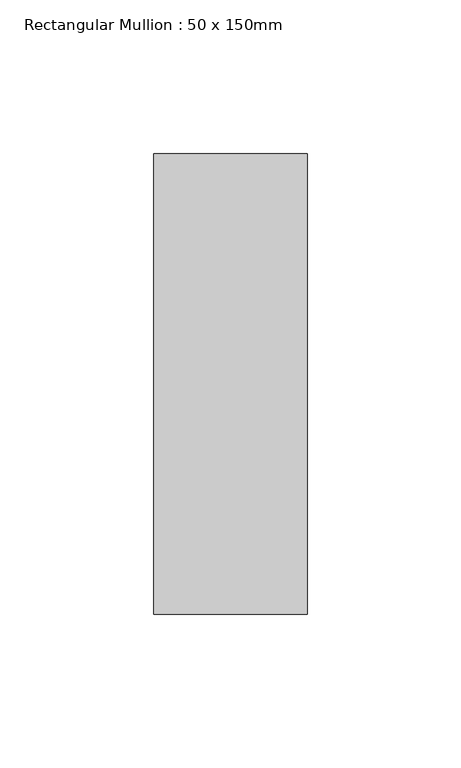
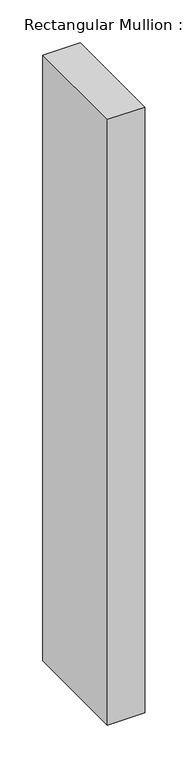
"""IFC4 building model written with IfcOpenShell, lengths in millimetres: member geometry, Rectangular Mullion : 50 x 150mm."""

import ifcopenshell
import ifcopenshell.guid

model = None  # the IFC model being written
_history = None  # IfcOwnerHistory: only IFC2X3 demands one
_inside = {}  # id of a spatial element -> (the spatial element, [elements in it])
_under = {}  # id of a project, library or spatial element -> (it, [spatial elements below it])
_declared = {}  # id of a project -> (the project, [libraries it declares])
_typed = {}  # id of a type object -> (the type object, [elements of that type])
_made_of = {}  # id of a material, layer set ... -> (it, [elements and type objects made of it])


def new_model(schema):
    """Start an empty IFC model of exactly this schema.

    Asked for "IFC4X3", IfcOpenShell would pick the latest addendum, in which some entities
    have other attributes; the version numbers below select the first issue.
    IFC2X3 requires an IfcOwnerHistory on every rooted entity: one is made here for all.
    """
    global model, _history
    if schema == "IFC4X3":
        model = ifcopenshell.file(schema_version=(4, 3, 0, 0))
    else:
        model = ifcopenshell.file(schema=schema)
    _inside.clear()
    _under.clear()
    _declared.clear()
    _typed.clear()
    _made_of.clear()
    _history = None
    if model.schema == "IFC2X3":
        org = make("IfcOrganization", Name="unknown")
        user = make(
            "IfcPersonAndOrganization",
            ThePerson=make("IfcPerson", FamilyName="unknown"),
            TheOrganization=org,
        )
        app = make(
            "IfcApplication",
            ApplicationDeveloper=org,
            Version="unknown",
            ApplicationFullName="unknown",
            ApplicationIdentifier="unknown",
        )
        _history = make(
            "IfcOwnerHistory",
            OwningUser=user,
            OwningApplication=app,
            ChangeAction="ADDED",
            CreationDate=0,
        )
    return model


def make(cls, **values):
    """One entity of the class cls with the attributes given. An attribute that is None is left unset."""
    return model.create_entity(
        cls, **{name: value for name, value in values.items() if value is not None}
    )


def rooted(cls, **values):
    """An entity with a GlobalId (a new one), such as an element, a storey or a relation."""
    return make(cls, GlobalId=ifcopenshell.guid.new(), OwnerHistory=_history, **values)


def si_unit(unit_type, name, prefix=None):
    """IfcSIUnit, for example si_unit("LENGTHUNIT", "METRE", prefix="MILLI")."""
    return make("IfcSIUnit", UnitType=unit_type, Prefix=prefix, Name=name)


def assignment(units):
    """IfcUnitAssignment: the units of a project."""
    return None if units is None else make("IfcUnitAssignment", Units=units)


def point(xyz):
    """IfcCartesianPoint."""
    return None if xyz is None else make("IfcCartesianPoint", Coordinates=xyz)


def direction(xyz):
    """IfcDirection."""
    return None if xyz is None else make("IfcDirection", DirectionRatios=xyz)


def frame(location, z_axis=None, x_axis=None):
    """IfcAxis2Placement3D, a coordinate frame: its origin and axes. An axis left out is left unset."""
    return make(
        "IfcAxis2Placement3D",
        Location=point(location),
        Axis=direction(z_axis),
        RefDirection=direction(x_axis),
    )


def origin():
    """The frame at (0, 0, 0) with its axes left unset."""
    return frame((0.0, 0.0, 0.0))


def place(relative_to, where):
    """IfcLocalPlacement: puts the frame where relative to a parent placement (None: the world)."""
    return make(
        "IfcLocalPlacement", PlacementRelTo=relative_to, RelativePlacement=where
    )


def context(
    kind, dimensions, precision=None, world=None, true_north=None, identifier=None
):
    """IfcGeometricRepresentationContext, for example the 3D "Model" context."""
    return make(
        "IfcGeometricRepresentationContext",
        ContextIdentifier=identifier,
        ContextType=kind,
        CoordinateSpaceDimension=dimensions,
        Precision=precision,
        WorldCoordinateSystem=world,
        TrueNorth=true_north,
    )


def project(units=None, contexts=None):
    """IfcProject with its units and contexts."""
    return rooted(
        "IfcProject",
        Name="project",
        RepresentationContexts=contexts,
        UnitsInContext=assignment(units),
    )


def spatial(cls, under=None, at=None, **own):
    """A site, building, storey or space (cls), placed at a placement, below another one or the project."""
    s = rooted(cls, ObjectPlacement=at, **own)
    if under is not None:
        _under.setdefault(under.id(), (under, []))[1].append(s)
    return s


def polyline(points):
    """IfcPolyline through the points."""
    return make("IfcPolyline", Points=[point(p) for p in points])


def outline(outer, holes=None, kind="AREA"):
    """IfcArbitraryClosedProfileDef: a profile drawn as a closed curve; with holes, ...WithVoids."""
    if holes is None:
        return make("IfcArbitraryClosedProfileDef", ProfileType=kind, OuterCurve=outer)
    return make(
        "IfcArbitraryProfileDefWithVoids",
        ProfileType=kind,
        OuterCurve=outer,
        InnerCurves=holes,
    )


def extrude(swept, where, along, depth):
    """IfcExtrudedAreaSolid: the profile swept, set in the frame where, extruded along a direction by depth."""
    return make(
        "IfcExtrudedAreaSolid",
        SweptArea=swept,
        Position=where,
        ExtrudedDirection=direction(along),
        Depth=depth,
    )


def shape(context_of_items, identifier, shape_type, items):
    """IfcShapeRepresentation: the items that make up one representation, for example the "Body"."""
    return make(
        "IfcShapeRepresentation",
        ContextOfItems=context_of_items,
        RepresentationIdentifier=identifier,
        RepresentationType=shape_type,
        Items=items,
    )


def source(mapping_origin, context_of_items, identifier, shape_type, items):
    """IfcRepresentationMap: a shape defined once, which mapped items show again and again."""
    return make(
        "IfcRepresentationMap",
        MappingOrigin=mapping_origin,
        MappedRepresentation=shape(context_of_items, identifier, shape_type, items),
    )


def transform(
    local_origin,
    x_axis=None,
    y_axis=None,
    z_axis=None,
    scale=None,
    scale2=None,
    scale3=None,
    uniform=True,
):
    """IfcCartesianTransformationOperator3D, or its non-uniform kind. x_axis, y_axis, z_axis: its Axis1, 2, 3."""
    if uniform:
        return make(
            "IfcCartesianTransformationOperator3D",
            Axis1=direction(x_axis),
            Axis2=direction(y_axis),
            LocalOrigin=point(local_origin),
            Scale=scale,
            Axis3=direction(z_axis),
        )
    return make(
        "IfcCartesianTransformationOperator3DnonUniform",
        Axis1=direction(x_axis),
        Axis2=direction(y_axis),
        LocalOrigin=point(local_origin),
        Scale=scale,
        Axis3=direction(z_axis),
        Scale2=scale2,
        Scale3=scale3,
    )


def mapped(mapping_source, mapping_target):
    """IfcMappedItem: shows the shape of a source again, moved by a transform."""
    return make(
        "IfcMappedItem", MappingSource=mapping_source, MappingTarget=mapping_target
    )


def made_of(thing, what):
    """Note that an element or type object is made of a material, layer set ...; save() writes the relation."""
    if what is not None:
        _made_of.setdefault(what.id(), (what, []))[1].append(thing)
    return thing


def element(
    cls,
    number,
    at=None,
    inside=None,
    cuts=None,
    type_object=None,
    material=None,
    context=None,
    identifier="Body",
    shape_type=None,
    held_by="IfcProductDefinitionShape",
    body=None,
    shapes=None,
    **own,
):
    """One element of the class cls, such as IfcWall. Its Tag is "e" and its number.

    at: its placement. inside: the storey or other place that contains it. cuts: it is an
    opening in that element (IfcRelVoidsElement). A single representation is given by context,
    identifier, shape_type and body (its items); several are given by shapes. held_by: the class
    of the entity that holds the representations. save() writes the other relations.
    """
    e = rooted(cls, Tag="e%d" % number, ObjectPlacement=at, **own)
    if body is not None:
        shapes = [shape(context, identifier, shape_type, body)]
    if shapes is not None:
        e.Representation = make(held_by, Representations=shapes)
    if inside is not None:
        _inside.setdefault(inside.id(), (inside, []))[1].append(e)
    if cuts is not None:
        rooted(
            "IfcRelVoidsElement", RelatingBuildingElement=cuts, RelatedOpeningElement=e
        )
    if type_object is not None:
        _typed.setdefault(type_object.id(), (type_object, []))[1].append(e)
    return made_of(e, material)


def aggregate(whole, parts):
    """IfcRelAggregates: a whole, such as a stair, and the parts it consists of."""
    return rooted("IfcRelAggregates", RelatingObject=whole, RelatedObjects=parts)


def save(model, path):
    """Write the relations noted so far, then the file.

    IfcRelAggregates (storeys below a building ...), IfcRelContainedInSpatialStructure (elements
    in a storey), IfcRelDefinesByType, IfcRelAssociatesMaterial and IfcRelDeclares: one each for
    every whole, place, type object, material and project.
    """
    for whole, parts in _under.values():
        aggregate(whole, parts)
    for where, things in _inside.values():
        rooted(
            "IfcRelContainedInSpatialStructure",
            RelatedElements=things,
            RelatingStructure=where,
        )
    for kind, things in _typed.values():
        rooted("IfcRelDefinesByType", RelatedObjects=things, RelatingType=kind)
    for what, things in _made_of.values():
        rooted("IfcRelAssociatesMaterial", RelatedObjects=things, RelatingMaterial=what)
    for by, libraries in _declared.values():
        rooted("IfcRelDeclares", RelatingContext=by, RelatedDefinitions=libraries)
    model.write(path)


def rectangular_mullion_50_x_150mm_3cab88e4(model_context):
    return source(origin(), model_context, "Body", "SweptSolid", [
        extrude(outline(polyline([(25.0, 75.0), (25.0, -75.0), (-25.0, -75.0), (-25.0, 75.0), (25.0, 75.0)])), frame((0.0, 0.0, -860.0), z_axis=(0.0, 0.0, 1.0), x_axis=(1.0, 0.0, 0.0)), (0.0, 0.0, 1.0), 860.0),
    ])


if __name__ == "__main__":
    model = new_model("IFC4")
    model_context = context("Model", 3, world=origin())
    ifc_project = project(units=[si_unit("LENGTHUNIT", "METRE", prefix="MILLI")], contexts=[model_context])
    site = spatial("IfcSite", under=ifc_project)
    building = spatial("IfcBuilding", under=site)
    placement = place(None, origin())
    rectangular_mullion_50_x_150mm_shape = rectangular_mullion_50_x_150mm_3cab88e4(model_context)
    element("IfcMember", 1, ObjectType="Rectangular Mullion : 50 x 150mm", at=placement, inside=building, context=model_context, shape_type="MappedRepresentation", body=[
        mapped(rectangular_mullion_50_x_150mm_shape, transform((0.0, 0.0, 0.0), x_axis=(1.0, 0.0, 0.0), y_axis=(0.0, 1.0, 0.0), z_axis=(0.0, 0.0, 1.0))),
    ])
    save(model, "model.ifc")
